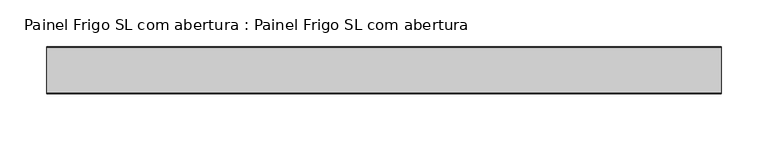
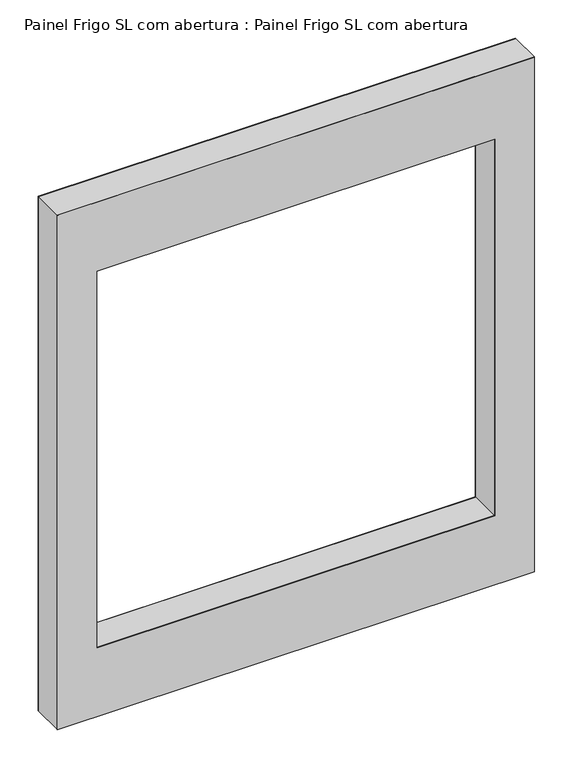
"""IFC4 building model written with IfcOpenShell, lengths in millimetres: proxy geometry, Painel Frigo SL com abertura : Painel Frigo SL com abertura."""

import ifcopenshell
import ifcopenshell.guid

model = None  # the IFC model being written
_history = None  # IfcOwnerHistory: only IFC2X3 demands one
_inside = {}  # id of a spatial element -> (the spatial element, [elements in it])
_under = {}  # id of a project, library or spatial element -> (it, [spatial elements below it])
_declared = {}  # id of a project -> (the project, [libraries it declares])
_typed = {}  # id of a type object -> (the type object, [elements of that type])
_made_of = {}  # id of a material, layer set ... -> (it, [elements and type objects made of it])


def new_model(schema):
    """Start an empty IFC model of exactly this schema.

    Asked for "IFC4X3", IfcOpenShell would pick the latest addendum, in which some entities
    have other attributes; the version numbers below select the first issue.
    IFC2X3 requires an IfcOwnerHistory on every rooted entity: one is made here for all.
    """
    global model, _history
    if schema == "IFC4X3":
        model = ifcopenshell.file(schema_version=(4, 3, 0, 0))
    else:
        model = ifcopenshell.file(schema=schema)
    _inside.clear()
    _under.clear()
    _declared.clear()
    _typed.clear()
    _made_of.clear()
    _history = None
    if model.schema == "IFC2X3":
        org = make("IfcOrganization", Name="unknown")
        user = make(
            "IfcPersonAndOrganization",
            ThePerson=make("IfcPerson", FamilyName="unknown"),
            TheOrganization=org,
        )
        app = make(
            "IfcApplication",
            ApplicationDeveloper=org,
            Version="unknown",
            ApplicationFullName="unknown",
            ApplicationIdentifier="unknown",
        )
        _history = make(
            "IfcOwnerHistory",
            OwningUser=user,
            OwningApplication=app,
            ChangeAction="ADDED",
            CreationDate=0,
        )
    return model


def make(cls, **values):
    """One entity of the class cls with the attributes given. An attribute that is None is left unset."""
    return model.create_entity(
        cls, **{name: value for name, value in values.items() if value is not None}
    )


def rooted(cls, **values):
    """An entity with a GlobalId (a new one), such as an element, a storey or a relation."""
    return make(cls, GlobalId=ifcopenshell.guid.new(), OwnerHistory=_history, **values)


def si_unit(unit_type, name, prefix=None):
    """IfcSIUnit, for example si_unit("LENGTHUNIT", "METRE", prefix="MILLI")."""
    return make("IfcSIUnit", UnitType=unit_type, Prefix=prefix, Name=name)


def assignment(units):
    """IfcUnitAssignment: the units of a project."""
    return None if units is None else make("IfcUnitAssignment", Units=units)


def point(xyz):
    """IfcCartesianPoint."""
    return None if xyz is None else make("IfcCartesianPoint", Coordinates=xyz)


def direction(xyz):
    """IfcDirection."""
    return None if xyz is None else make("IfcDirection", DirectionRatios=xyz)


def frame(location, z_axis=None, x_axis=None):
    """IfcAxis2Placement3D, a coordinate frame: its origin and axes. An axis left out is left unset."""
    return make(
        "IfcAxis2Placement3D",
        Location=point(location),
        Axis=direction(z_axis),
        RefDirection=direction(x_axis),
    )


def origin():
    """The frame at (0, 0, 0) with its axes left unset."""
    return frame((0.0, 0.0, 0.0))


def place(relative_to, where):
    """IfcLocalPlacement: puts the frame where relative to a parent placement (None: the world)."""
    return make(
        "IfcLocalPlacement", PlacementRelTo=relative_to, RelativePlacement=where
    )


def context(
    kind, dimensions, precision=None, world=None, true_north=None, identifier=None
):
    """IfcGeometricRepresentationContext, for example the 3D "Model" context."""
    return make(
        "IfcGeometricRepresentationContext",
        ContextIdentifier=identifier,
        ContextType=kind,
        CoordinateSpaceDimension=dimensions,
        Precision=precision,
        WorldCoordinateSystem=world,
        TrueNorth=true_north,
    )


def project(units=None, contexts=None):
    """IfcProject with its units and contexts."""
    return rooted(
        "IfcProject",
        Name="project",
        RepresentationContexts=contexts,
        UnitsInContext=assignment(units),
    )


def spatial(cls, under=None, at=None, **own):
    """A site, building, storey or space (cls), placed at a placement, below another one or the project."""
    s = rooted(cls, ObjectPlacement=at, **own)
    if under is not None:
        _under.setdefault(under.id(), (under, []))[1].append(s)
    return s


def polyline(points):
    """IfcPolyline through the points."""
    return make("IfcPolyline", Points=[point(p) for p in points])


def outline(outer, holes=None, kind="AREA"):
    """IfcArbitraryClosedProfileDef: a profile drawn as a closed curve; with holes, ...WithVoids."""
    if holes is None:
        return make("IfcArbitraryClosedProfileDef", ProfileType=kind, OuterCurve=outer)
    return make(
        "IfcArbitraryProfileDefWithVoids",
        ProfileType=kind,
        OuterCurve=outer,
        InnerCurves=holes,
    )


def extrude(swept, where, along, depth):
    """IfcExtrudedAreaSolid: the profile swept, set in the frame where, extruded along a direction by depth."""
    return make(
        "IfcExtrudedAreaSolid",
        SweptArea=swept,
        Position=where,
        ExtrudedDirection=direction(along),
        Depth=depth,
    )


def shape(context_of_items, identifier, shape_type, items):
    """IfcShapeRepresentation: the items that make up one representation, for example the "Body"."""
    return make(
        "IfcShapeRepresentation",
        ContextOfItems=context_of_items,
        RepresentationIdentifier=identifier,
        RepresentationType=shape_type,
        Items=items,
    )


def source(mapping_origin, context_of_items, identifier, shape_type, items):
    """IfcRepresentationMap: a shape defined once, which mapped items show again and again."""
    return make(
        "IfcRepresentationMap",
        MappingOrigin=mapping_origin,
        MappedRepresentation=shape(context_of_items, identifier, shape_type, items),
    )


def transform(
    local_origin,
    x_axis=None,
    y_axis=None,
    z_axis=None,
    scale=None,
    scale2=None,
    scale3=None,
    uniform=True,
):
    """IfcCartesianTransformationOperator3D, or its non-uniform kind. x_axis, y_axis, z_axis: its Axis1, 2, 3."""
    if uniform:
        return make(
            "IfcCartesianTransformationOperator3D",
            Axis1=direction(x_axis),
            Axis2=direction(y_axis),
            LocalOrigin=point(local_origin),
            Scale=scale,
            Axis3=direction(z_axis),
        )
    return make(
        "IfcCartesianTransformationOperator3DnonUniform",
        Axis1=direction(x_axis),
        Axis2=direction(y_axis),
        LocalOrigin=point(local_origin),
        Scale=scale,
        Axis3=direction(z_axis),
        Scale2=scale2,
        Scale3=scale3,
    )


def mapped(mapping_source, mapping_target):
    """IfcMappedItem: shows the shape of a source again, moved by a transform."""
    return make(
        "IfcMappedItem", MappingSource=mapping_source, MappingTarget=mapping_target
    )


def made_of(thing, what):
    """Note that an element or type object is made of a material, layer set ...; save() writes the relation."""
    if what is not None:
        _made_of.setdefault(what.id(), (what, []))[1].append(thing)
    return thing


def element(
    cls,
    number,
    at=None,
    inside=None,
    cuts=None,
    type_object=None,
    material=None,
    context=None,
    identifier="Body",
    shape_type=None,
    held_by="IfcProductDefinitionShape",
    body=None,
    shapes=None,
    **own,
):
    """One element of the class cls, such as IfcWall. Its Tag is "e" and its number.

    at: its placement. inside: the storey or other place that contains it. cuts: it is an
    opening in that element (IfcRelVoidsElement). A single representation is given by context,
    identifier, shape_type and body (its items); several are given by shapes. held_by: the class
    of the entity that holds the representations. save() writes the other relations.
    """
    e = rooted(cls, Tag="e%d" % number, ObjectPlacement=at, **own)
    if body is not None:
        shapes = [shape(context, identifier, shape_type, body)]
    if shapes is not None:
        e.Representation = make(held_by, Representations=shapes)
    if inside is not None:
        _inside.setdefault(inside.id(), (inside, []))[1].append(e)
    if cuts is not None:
        rooted(
            "IfcRelVoidsElement", RelatingBuildingElement=cuts, RelatedOpeningElement=e
        )
    if type_object is not None:
        _typed.setdefault(type_object.id(), (type_object, []))[1].append(e)
    return made_of(e, material)


def aggregate(whole, parts):
    """IfcRelAggregates: a whole, such as a stair, and the parts it consists of."""
    return rooted("IfcRelAggregates", RelatingObject=whole, RelatedObjects=parts)


def save(model, path):
    """Write the relations noted so far, then the file.

    IfcRelAggregates (storeys below a building ...), IfcRelContainedInSpatialStructure (elements
    in a storey), IfcRelDefinesByType, IfcRelAssociatesMaterial and IfcRelDeclares: one each for
    every whole, place, type object, material and project.
    """
    for whole, parts in _under.values():
        aggregate(whole, parts)
    for where, things in _inside.values():
        rooted(
            "IfcRelContainedInSpatialStructure",
            RelatedElements=things,
            RelatingStructure=where,
        )
    for kind, things in _typed.values():
        rooted("IfcRelDefinesByType", RelatedObjects=things, RelatingType=kind)
    for what, things in _made_of.values():
        rooted("IfcRelAssociatesMaterial", RelatedObjects=things, RelatingMaterial=what)
    for by, libraries in _declared.values():
        rooted("IfcRelDeclares", RelatingContext=by, RelatedDefinitions=libraries)
    model.write(path)


def painel_frigo_sl_com_abertura_painel_frigo_sl_com_abertura_ca60ccb0(model_context):
    return source(origin(), model_context, "Body", "SweptSolid", [
        extrude(outline(polyline([(0.0, 820.0), (820.0, 820.0), (820.0, 100.0), (0.0, 100.0), (0.0, 820.0)]), holes=[polyline([(710.0, 160.0), (710.0, 760.0), (110.0, 760.0), (110.0, 160.0), (710.0, 160.0)])]), frame((0.0, -24.2, 0.0), z_axis=(0.0, 1.0, 0.0), x_axis=(0.0, 0.0, 1.0)), (0.0, 0.0, 1.0), 48.4),
        extrude(outline(polyline([(0.0, 820.0), (820.0, 820.0), (820.0, 100.0), (0.0, 100.0), (0.0, 820.0)]), holes=[polyline([(710.0, 160.0), (710.0, 760.0), (110.0, 760.0), (110.0, 160.0), (710.0, 160.0)])]), frame((0.0, -25.0, 0.0), z_axis=(0.0, 1.0, 0.0), x_axis=(0.0, 0.0, 1.0)), (0.0, 0.0, 1.0), 0.8),
        extrude(outline(polyline([(0.0, 820.0), (820.0, 820.0), (820.0, 100.0), (0.0, 100.0), (0.0, 820.0)]), holes=[polyline([(710.0, 160.0), (710.0, 760.0), (110.0, 760.0), (110.0, 160.0), (710.0, 160.0)])]), frame((0.0, 24.2, 0.0), z_axis=(0.0, 1.0, 0.0), x_axis=(0.0, 0.0, 1.0)), (0.0, 0.0, 1.0), 0.8),
    ])


if __name__ == "__main__":
    model = new_model("IFC4")
    model_context = context("Model", 3, world=origin())
    ifc_project = project(units=[si_unit("LENGTHUNIT", "METRE", prefix="MILLI")], contexts=[model_context])
    site = spatial("IfcSite", under=ifc_project)
    building = spatial("IfcBuilding", under=site)
    placement = place(None, origin())
    painel_frigo_sl_com_abertura_painel_frigo_sl_com_abertura_shape = painel_frigo_sl_com_abertura_painel_frigo_sl_com_abertura_ca60ccb0(model_context)
    element("IfcBuildingElementProxy", 1, Name="Painel Frigo SL com abertura : Painel Frigo SL com abertura", ObjectType="Painel Frigo SL com abertura : Painel Frigo SL com abertura", at=placement, inside=building, context=model_context, shape_type="MappedRepresentation", body=[
        mapped(painel_frigo_sl_com_abertura_painel_frigo_sl_com_abertura_shape, transform((0.0, 0.0, 0.0), x_axis=(1.0, 0.0, 0.0), y_axis=(0.0, 1.0, 0.0), z_axis=(0.0, 0.0, 1.0))),
    ])
    save(model, "model.ifc")
